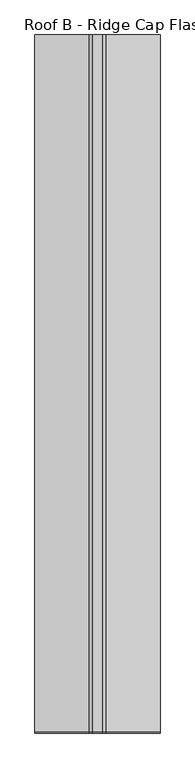
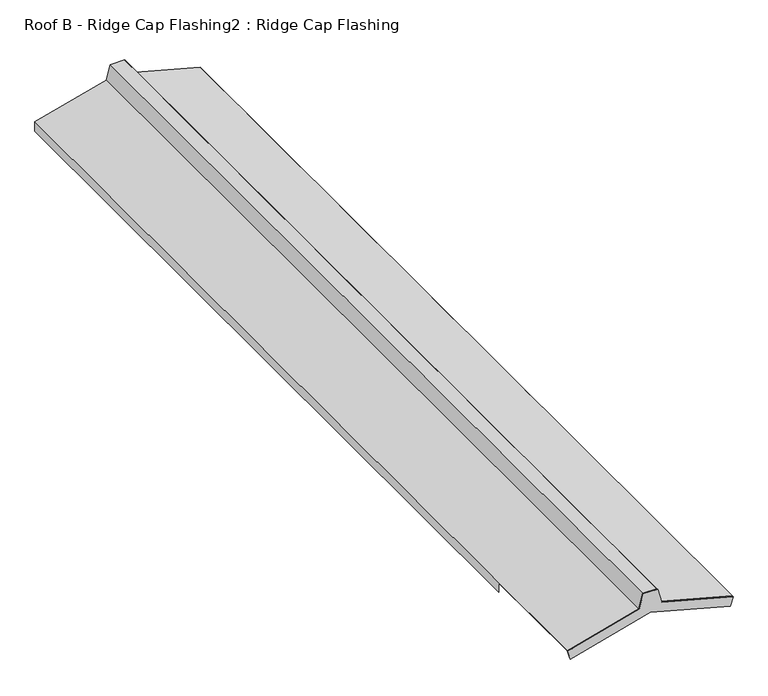
"""IFC4 building model written with IfcOpenShell, lengths in millimetres: proxy geometry, Roof B - Ridge Cap Flashing2 : Ridge Cap Flashing."""

from ifc_helpers import new_model, si_unit, frame, origin, place, context, project, spatial, polyline, outline, extrude, faceted_brep, source, transform, mapped, element, save


def roof_b_ridge_cap_flashing2_ridge_cap_flashing_1246f34f(model_context):
    return source(origin(), model_context, "Body", "SolidModel", [
        extrude(outline(polyline([(4884.8612105, -11335.2211181), (4943.6791939, -11350.9813493), (4943.6791939, -11406.7293813), (4884.8612105, -11422.4896124), (4809.5785642, -11703.4482734), (4808.543288, -11703.4482734), (4773.4808811, -11692.981533), (4857.6507341, -11378.8553653), (4773.4808811, -11064.7291976), (4808.543288, -11054.2624572), (4809.5785642, -11054.2624572), (4884.8612105, -11335.2211181)])), frame((0.0, -12347.8742565, 0.0), z_axis=(0.0, 1.0, 0.0), x_axis=(0.0, 0.0, 1.0)), (0.0, 0.0, 1.0), 4.6653114),
        faceted_brep([(-11406.7293813, -8725.1921401, 4943.6791939), (-11350.9813493, -8725.1921401, 4943.6791939), (-11335.2211181, -8725.1921401, 4884.8612105), (-11054.2624572, -8725.1921401, 4809.5785642), (-11054.2624572, -8725.1921401, 4770.6763265), (-11055.2624572, -8725.1921401, 4770.6763265), (-11055.2624572, -8725.1921401, 4808.8112372), (-11336.0376147, -8725.1921401, 4884.0447139), (-11351.7486763, -8725.1921401, 4942.6791939), (-11405.9620543, -8725.1921401, 4942.6791939), (-11421.6731158, -8725.1921401, 4884.0447139), (-11702.4482734, -8725.1921401, 4808.8112372), (-11702.4482734, -8725.1921401, 4770.6763265), (-11703.4482734, -8725.1921401, 4770.6763265), (-11703.4482734, -8725.1921401, 4809.5785642), (-11422.4896124, -8725.1921401, 4884.8612105), (-11422.4896124, -12343.2089451, 4884.8612105), (-11703.4482734, -12343.2089451, 4809.5785642), (-11703.4482734, -12343.2089451, 4808.543288), (-11421.6731158, -12343.2089451, 4884.0447139), (-11405.9620543, -12343.2089451, 4942.6791939), (-11351.7486763, -12343.2089451, 4942.6791939), (-11336.0376147, -12343.2089451, 4884.0447139), (-11054.2624572, -12343.2089451, 4808.543288), (-11054.2624572, -12343.2089451, 4809.5785642), (-11335.2211181, -12343.2089451, 4884.8612105), (-11350.9813493, -12343.2089451, 4943.6791939), (-11406.7293813, -12343.2089451, 4943.6791939), (-11703.4482734, -11878.8406171, 4808.543288), (-11702.4482734, -11878.8406171, 4808.8112372), (-11702.4482734, -11878.8406171, 4770.6763265), (-11703.4482734, -11878.8406171, 4770.6763265), (-11054.2624572, -11878.8406171, 4808.543288), (-11054.2624572, -11878.8406171, 4770.6763265), (-11055.2624572, -11878.8406171, 4770.6763265), (-11055.2624572, -11878.8406171, 4808.8112372)], [[[0, 1, 2, 3, 4, 5, 6, 7, 8, 9, 10, 11, 12, 13, 14, 15]], [[16, 17, 18, 19, 20, 21, 22, 23, 24, 25, 26, 27]], [[1, 0, 27, 26]], [[2, 1, 26, 25]], [[8, 7, 22, 21]], [[9, 8, 21, 20]], [[11, 10, 19, 18, 28, 29]], [[15, 14, 17, 16]], [[10, 9, 20, 19]], [[12, 11, 29, 30]], [[13, 12, 30, 31]], [[14, 13, 31, 28, 18, 17]], [[0, 15, 16, 27]], [[3, 2, 25, 24]], [[4, 3, 24, 23, 32, 33]], [[5, 4, 33, 34]], [[6, 5, 34, 35]], [[7, 6, 35, 32, 23, 22]], [[32, 35, 34, 33]], [[29, 28, 31, 30]]]),
    ])


if __name__ == "__main__":
    model = new_model("IFC4")
    model_context = context("Model", 3, world=origin())
    ifc_project = project(units=[si_unit("LENGTHUNIT", "METRE", prefix="MILLI")], contexts=[model_context])
    site = spatial("IfcSite", under=ifc_project)
    building = spatial("IfcBuilding", under=site)
    placement = place(None, origin())
    roof_b_ridge_cap_flashing2_ridge_cap_flashing_shape = roof_b_ridge_cap_flashing2_ridge_cap_flashing_1246f34f(model_context)
    element("IfcBuildingElementProxy", 1, Name="Roof B - Ridge Cap Flashing2 : Ridge Cap Flashing", ObjectType="Roof B - Ridge Cap Flashing2 : Ridge Cap Flashing", at=placement, inside=building, context=model_context, shape_type="MappedRepresentation", body=[
        mapped(roof_b_ridge_cap_flashing2_ridge_cap_flashing_shape, transform((0.0, 0.0, 0.0), x_axis=(1.0, 0.0, 0.0), y_axis=(0.0, 1.0, 0.0), z_axis=(0.0, 0.0, 1.0))),
    ])
    save(model, "model.ifc")
